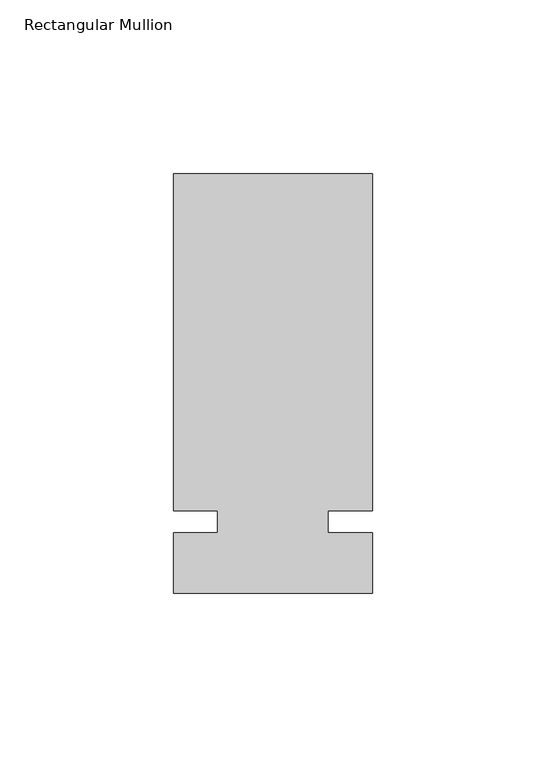
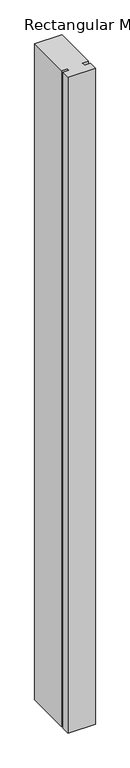
"""IFC4 building model written with IfcOpenShell, lengths in millimetres: member geometry, Rectangular Mullion."""

import ifcopenshell
import ifcopenshell.guid

model = None  # the IFC model being written
_history = None  # IfcOwnerHistory: only IFC2X3 demands one
_inside = {}  # id of a spatial element -> (the spatial element, [elements in it])
_under = {}  # id of a project, library or spatial element -> (it, [spatial elements below it])
_declared = {}  # id of a project -> (the project, [libraries it declares])
_typed = {}  # id of a type object -> (the type object, [elements of that type])
_made_of = {}  # id of a material, layer set ... -> (it, [elements and type objects made of it])


def new_model(schema):
    """Start an empty IFC model of exactly this schema.

    Asked for "IFC4X3", IfcOpenShell would pick the latest addendum, in which some entities
    have other attributes; the version numbers below select the first issue.
    IFC2X3 requires an IfcOwnerHistory on every rooted entity: one is made here for all.
    """
    global model, _history
    if schema == "IFC4X3":
        model = ifcopenshell.file(schema_version=(4, 3, 0, 0))
    else:
        model = ifcopenshell.file(schema=schema)
    _inside.clear()
    _under.clear()
    _declared.clear()
    _typed.clear()
    _made_of.clear()
    _history = None
    if model.schema == "IFC2X3":
        org = make("IfcOrganization", Name="unknown")
        user = make(
            "IfcPersonAndOrganization",
            ThePerson=make("IfcPerson", FamilyName="unknown"),
            TheOrganization=org,
        )
        app = make(
            "IfcApplication",
            ApplicationDeveloper=org,
            Version="unknown",
            ApplicationFullName="unknown",
            ApplicationIdentifier="unknown",
        )
        _history = make(
            "IfcOwnerHistory",
            OwningUser=user,
            OwningApplication=app,
            ChangeAction="ADDED",
            CreationDate=0,
        )
    return model


def make(cls, **values):
    """One entity of the class cls with the attributes given. An attribute that is None is left unset."""
    return model.create_entity(
        cls, **{name: value for name, value in values.items() if value is not None}
    )


def rooted(cls, **values):
    """An entity with a GlobalId (a new one), such as an element, a storey or a relation."""
    return make(cls, GlobalId=ifcopenshell.guid.new(), OwnerHistory=_history, **values)


def si_unit(unit_type, name, prefix=None):
    """IfcSIUnit, for example si_unit("LENGTHUNIT", "METRE", prefix="MILLI")."""
    return make("IfcSIUnit", UnitType=unit_type, Prefix=prefix, Name=name)


def assignment(units):
    """IfcUnitAssignment: the units of a project."""
    return None if units is None else make("IfcUnitAssignment", Units=units)


def point(xyz):
    """IfcCartesianPoint."""
    return None if xyz is None else make("IfcCartesianPoint", Coordinates=xyz)


def direction(xyz):
    """IfcDirection."""
    return None if xyz is None else make("IfcDirection", DirectionRatios=xyz)


def frame(location, z_axis=None, x_axis=None):
    """IfcAxis2Placement3D, a coordinate frame: its origin and axes. An axis left out is left unset."""
    return make(
        "IfcAxis2Placement3D",
        Location=point(location),
        Axis=direction(z_axis),
        RefDirection=direction(x_axis),
    )


def origin():
    """The frame at (0, 0, 0) with its axes left unset."""
    return frame((0.0, 0.0, 0.0))


def place(relative_to, where):
    """IfcLocalPlacement: puts the frame where relative to a parent placement (None: the world)."""
    return make(
        "IfcLocalPlacement", PlacementRelTo=relative_to, RelativePlacement=where
    )


def context(
    kind, dimensions, precision=None, world=None, true_north=None, identifier=None
):
    """IfcGeometricRepresentationContext, for example the 3D "Model" context."""
    return make(
        "IfcGeometricRepresentationContext",
        ContextIdentifier=identifier,
        ContextType=kind,
        CoordinateSpaceDimension=dimensions,
        Precision=precision,
        WorldCoordinateSystem=world,
        TrueNorth=true_north,
    )


def project(units=None, contexts=None):
    """IfcProject with its units and contexts."""
    return rooted(
        "IfcProject",
        Name="project",
        RepresentationContexts=contexts,
        UnitsInContext=assignment(units),
    )


def spatial(cls, under=None, at=None, **own):
    """A site, building, storey or space (cls), placed at a placement, below another one or the project."""
    s = rooted(cls, ObjectPlacement=at, **own)
    if under is not None:
        _under.setdefault(under.id(), (under, []))[1].append(s)
    return s


def polyline(points):
    """IfcPolyline through the points."""
    return make("IfcPolyline", Points=[point(p) for p in points])


def outline(outer, holes=None, kind="AREA"):
    """IfcArbitraryClosedProfileDef: a profile drawn as a closed curve; with holes, ...WithVoids."""
    if holes is None:
        return make("IfcArbitraryClosedProfileDef", ProfileType=kind, OuterCurve=outer)
    return make(
        "IfcArbitraryProfileDefWithVoids",
        ProfileType=kind,
        OuterCurve=outer,
        InnerCurves=holes,
    )


def extrude(swept, where, along, depth):
    """IfcExtrudedAreaSolid: the profile swept, set in the frame where, extruded along a direction by depth."""
    return make(
        "IfcExtrudedAreaSolid",
        SweptArea=swept,
        Position=where,
        ExtrudedDirection=direction(along),
        Depth=depth,
    )


def shape(context_of_items, identifier, shape_type, items):
    """IfcShapeRepresentation: the items that make up one representation, for example the "Body"."""
    return make(
        "IfcShapeRepresentation",
        ContextOfItems=context_of_items,
        RepresentationIdentifier=identifier,
        RepresentationType=shape_type,
        Items=items,
    )


def source(mapping_origin, context_of_items, identifier, shape_type, items):
    """IfcRepresentationMap: a shape defined once, which mapped items show again and again."""
    return make(
        "IfcRepresentationMap",
        MappingOrigin=mapping_origin,
        MappedRepresentation=shape(context_of_items, identifier, shape_type, items),
    )


def transform(
    local_origin,
    x_axis=None,
    y_axis=None,
    z_axis=None,
    scale=None,
    scale2=None,
    scale3=None,
    uniform=True,
):
    """IfcCartesianTransformationOperator3D, or its non-uniform kind. x_axis, y_axis, z_axis: its Axis1, 2, 3."""
    if uniform:
        return make(
            "IfcCartesianTransformationOperator3D",
            Axis1=direction(x_axis),
            Axis2=direction(y_axis),
            LocalOrigin=point(local_origin),
            Scale=scale,
            Axis3=direction(z_axis),
        )
    return make(
        "IfcCartesianTransformationOperator3DnonUniform",
        Axis1=direction(x_axis),
        Axis2=direction(y_axis),
        LocalOrigin=point(local_origin),
        Scale=scale,
        Axis3=direction(z_axis),
        Scale2=scale2,
        Scale3=scale3,
    )


def mapped(mapping_source, mapping_target):
    """IfcMappedItem: shows the shape of a source again, moved by a transform."""
    return make(
        "IfcMappedItem", MappingSource=mapping_source, MappingTarget=mapping_target
    )


def made_of(thing, what):
    """Note that an element or type object is made of a material, layer set ...; save() writes the relation."""
    if what is not None:
        _made_of.setdefault(what.id(), (what, []))[1].append(thing)
    return thing


def element(
    cls,
    number,
    at=None,
    inside=None,
    cuts=None,
    type_object=None,
    material=None,
    context=None,
    identifier="Body",
    shape_type=None,
    held_by="IfcProductDefinitionShape",
    body=None,
    shapes=None,
    **own,
):
    """One element of the class cls, such as IfcWall. Its Tag is "e" and its number.

    at: its placement. inside: the storey or other place that contains it. cuts: it is an
    opening in that element (IfcRelVoidsElement). A single representation is given by context,
    identifier, shape_type and body (its items); several are given by shapes. held_by: the class
    of the entity that holds the representations. save() writes the other relations.
    """
    e = rooted(cls, Tag="e%d" % number, ObjectPlacement=at, **own)
    if body is not None:
        shapes = [shape(context, identifier, shape_type, body)]
    if shapes is not None:
        e.Representation = make(held_by, Representations=shapes)
    if inside is not None:
        _inside.setdefault(inside.id(), (inside, []))[1].append(e)
    if cuts is not None:
        rooted(
            "IfcRelVoidsElement", RelatingBuildingElement=cuts, RelatedOpeningElement=e
        )
    if type_object is not None:
        _typed.setdefault(type_object.id(), (type_object, []))[1].append(e)
    return made_of(e, material)


def aggregate(whole, parts):
    """IfcRelAggregates: a whole, such as a stair, and the parts it consists of."""
    return rooted("IfcRelAggregates", RelatingObject=whole, RelatedObjects=parts)


def save(model, path):
    """Write the relations noted so far, then the file.

    IfcRelAggregates (storeys below a building ...), IfcRelContainedInSpatialStructure (elements
    in a storey), IfcRelDefinesByType, IfcRelAssociatesMaterial and IfcRelDeclares: one each for
    every whole, place, type object, material and project.
    """
    for whole, parts in _under.values():
        aggregate(whole, parts)
    for where, things in _inside.values():
        rooted(
            "IfcRelContainedInSpatialStructure",
            RelatedElements=things,
            RelatingStructure=where,
        )
    for kind, things in _typed.values():
        rooted("IfcRelDefinesByType", RelatedObjects=things, RelatingType=kind)
    for what, things in _made_of.values():
        rooted("IfcRelAssociatesMaterial", RelatedObjects=things, RelatingMaterial=what)
    for by, libraries in _declared.values():
        rooted("IfcRelDeclares", RelatingContext=by, RelatedDefinitions=libraries)
    model.write(path)


def rectangular_mullion_9f6287ff(model_context):
    return source(origin(), model_context, "Body", "SweptSolid", [
        extrude(outline(polyline([(32.9094027, 100.0125), (32.9094027, 3.175), (20.2076322, 3.175), (20.2076322, -3.175), (32.9094027, -3.175), (32.9094027, -20.6375), (-24.2405973, -20.6375), (-24.2405973, -3.175), (-11.5405973, -3.175), (-11.5405973, 3.175), (-24.2405973, 3.175), (-24.2405973, 100.0125), (32.9094027, 100.0125)])), frame((0.0, 0.0, -1449.9166667), z_axis=(0.0, 0.0, 1.0), x_axis=(1.0, 0.0, 0.0)), (0.0, 0.0, 1.0), 1449.9166667),
    ])


if __name__ == "__main__":
    model = new_model("IFC4")
    model_context = context("Model", 3, world=origin())
    ifc_project = project(units=[si_unit("LENGTHUNIT", "METRE", prefix="MILLI")], contexts=[model_context])
    site = spatial("IfcSite", under=ifc_project)
    building = spatial("IfcBuilding", under=site)
    placement = place(None, origin())
    rectangular_mullion_shape = rectangular_mullion_9f6287ff(model_context)
    element("IfcMember", 1, ObjectType="Rectangular Mullion", at=placement, inside=building, context=model_context, shape_type="MappedRepresentation", body=[
        mapped(rectangular_mullion_shape, transform((0.0, 0.0, 0.0), x_axis=(1.0, 0.0, 0.0), y_axis=(0.0, 1.0, 0.0), z_axis=(0.0, 0.0, 1.0))),
    ])
    save(model, "model.ifc")
